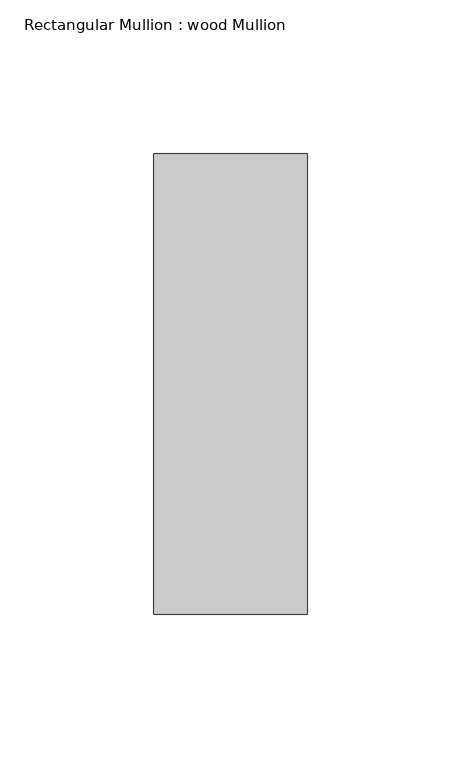
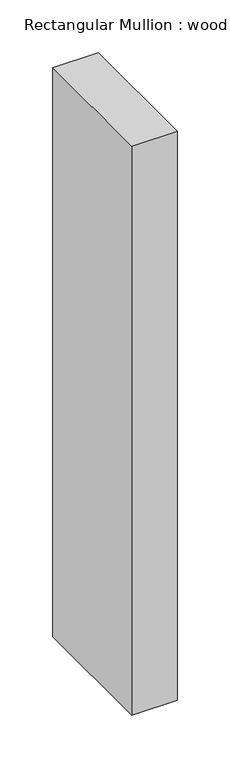
"""IFC4 building model written with IfcOpenShell, lengths in millimetres: member geometry, Rectangular Mullion : wood Mullion."""

import ifcopenshell
import ifcopenshell.guid

model = None  # the IFC model being written
_history = None  # IfcOwnerHistory: only IFC2X3 demands one
_inside = {}  # id of a spatial element -> (the spatial element, [elements in it])
_under = {}  # id of a project, library or spatial element -> (it, [spatial elements below it])
_declared = {}  # id of a project -> (the project, [libraries it declares])
_typed = {}  # id of a type object -> (the type object, [elements of that type])
_made_of = {}  # id of a material, layer set ... -> (it, [elements and type objects made of it])


def new_model(schema):
    """Start an empty IFC model of exactly this schema.

    Asked for "IFC4X3", IfcOpenShell would pick the latest addendum, in which some entities
    have other attributes; the version numbers below select the first issue.
    IFC2X3 requires an IfcOwnerHistory on every rooted entity: one is made here for all.
    """
    global model, _history
    if schema == "IFC4X3":
        model = ifcopenshell.file(schema_version=(4, 3, 0, 0))
    else:
        model = ifcopenshell.file(schema=schema)
    _inside.clear()
    _under.clear()
    _declared.clear()
    _typed.clear()
    _made_of.clear()
    _history = None
    if model.schema == "IFC2X3":
        org = make("IfcOrganization", Name="unknown")
        user = make(
            "IfcPersonAndOrganization",
            ThePerson=make("IfcPerson", FamilyName="unknown"),
            TheOrganization=org,
        )
        app = make(
            "IfcApplication",
            ApplicationDeveloper=org,
            Version="unknown",
            ApplicationFullName="unknown",
            ApplicationIdentifier="unknown",
        )
        _history = make(
            "IfcOwnerHistory",
            OwningUser=user,
            OwningApplication=app,
            ChangeAction="ADDED",
            CreationDate=0,
        )
    return model


def make(cls, **values):
    """One entity of the class cls with the attributes given. An attribute that is None is left unset."""
    return model.create_entity(
        cls, **{name: value for name, value in values.items() if value is not None}
    )


def rooted(cls, **values):
    """An entity with a GlobalId (a new one), such as an element, a storey or a relation."""
    return make(cls, GlobalId=ifcopenshell.guid.new(), OwnerHistory=_history, **values)


def si_unit(unit_type, name, prefix=None):
    """IfcSIUnit, for example si_unit("LENGTHUNIT", "METRE", prefix="MILLI")."""
    return make("IfcSIUnit", UnitType=unit_type, Prefix=prefix, Name=name)


def assignment(units):
    """IfcUnitAssignment: the units of a project."""
    return None if units is None else make("IfcUnitAssignment", Units=units)


def point(xyz):
    """IfcCartesianPoint."""
    return None if xyz is None else make("IfcCartesianPoint", Coordinates=xyz)


def direction(xyz):
    """IfcDirection."""
    return None if xyz is None else make("IfcDirection", DirectionRatios=xyz)


def frame(location, z_axis=None, x_axis=None):
    """IfcAxis2Placement3D, a coordinate frame: its origin and axes. An axis left out is left unset."""
    return make(
        "IfcAxis2Placement3D",
        Location=point(location),
        Axis=direction(z_axis),
        RefDirection=direction(x_axis),
    )


def origin():
    """The frame at (0, 0, 0) with its axes left unset."""
    return frame((0.0, 0.0, 0.0))


def place(relative_to, where):
    """IfcLocalPlacement: puts the frame where relative to a parent placement (None: the world)."""
    return make(
        "IfcLocalPlacement", PlacementRelTo=relative_to, RelativePlacement=where
    )


def context(
    kind, dimensions, precision=None, world=None, true_north=None, identifier=None
):
    """IfcGeometricRepresentationContext, for example the 3D "Model" context."""
    return make(
        "IfcGeometricRepresentationContext",
        ContextIdentifier=identifier,
        ContextType=kind,
        CoordinateSpaceDimension=dimensions,
        Precision=precision,
        WorldCoordinateSystem=world,
        TrueNorth=true_north,
    )


def project(units=None, contexts=None):
    """IfcProject with its units and contexts."""
    return rooted(
        "IfcProject",
        Name="project",
        RepresentationContexts=contexts,
        UnitsInContext=assignment(units),
    )


def spatial(cls, under=None, at=None, **own):
    """A site, building, storey or space (cls), placed at a placement, below another one or the project."""
    s = rooted(cls, ObjectPlacement=at, **own)
    if under is not None:
        _under.setdefault(under.id(), (under, []))[1].append(s)
    return s


def polyline(points):
    """IfcPolyline through the points."""
    return make("IfcPolyline", Points=[point(p) for p in points])


def outline(outer, holes=None, kind="AREA"):
    """IfcArbitraryClosedProfileDef: a profile drawn as a closed curve; with holes, ...WithVoids."""
    if holes is None:
        return make("IfcArbitraryClosedProfileDef", ProfileType=kind, OuterCurve=outer)
    return make(
        "IfcArbitraryProfileDefWithVoids",
        ProfileType=kind,
        OuterCurve=outer,
        InnerCurves=holes,
    )


def extrude(swept, where, along, depth):
    """IfcExtrudedAreaSolid: the profile swept, set in the frame where, extruded along a direction by depth."""
    return make(
        "IfcExtrudedAreaSolid",
        SweptArea=swept,
        Position=where,
        ExtrudedDirection=direction(along),
        Depth=depth,
    )


def shape(context_of_items, identifier, shape_type, items):
    """IfcShapeRepresentation: the items that make up one representation, for example the "Body"."""
    return make(
        "IfcShapeRepresentation",
        ContextOfItems=context_of_items,
        RepresentationIdentifier=identifier,
        RepresentationType=shape_type,
        Items=items,
    )


def source(mapping_origin, context_of_items, identifier, shape_type, items):
    """IfcRepresentationMap: a shape defined once, which mapped items show again and again."""
    return make(
        "IfcRepresentationMap",
        MappingOrigin=mapping_origin,
        MappedRepresentation=shape(context_of_items, identifier, shape_type, items),
    )


def transform(
    local_origin,
    x_axis=None,
    y_axis=None,
    z_axis=None,
    scale=None,
    scale2=None,
    scale3=None,
    uniform=True,
):
    """IfcCartesianTransformationOperator3D, or its non-uniform kind. x_axis, y_axis, z_axis: its Axis1, 2, 3."""
    if uniform:
        return make(
            "IfcCartesianTransformationOperator3D",
            Axis1=direction(x_axis),
            Axis2=direction(y_axis),
            LocalOrigin=point(local_origin),
            Scale=scale,
            Axis3=direction(z_axis),
        )
    return make(
        "IfcCartesianTransformationOperator3DnonUniform",
        Axis1=direction(x_axis),
        Axis2=direction(y_axis),
        LocalOrigin=point(local_origin),
        Scale=scale,
        Axis3=direction(z_axis),
        Scale2=scale2,
        Scale3=scale3,
    )


def mapped(mapping_source, mapping_target):
    """IfcMappedItem: shows the shape of a source again, moved by a transform."""
    return make(
        "IfcMappedItem", MappingSource=mapping_source, MappingTarget=mapping_target
    )


def made_of(thing, what):
    """Note that an element or type object is made of a material, layer set ...; save() writes the relation."""
    if what is not None:
        _made_of.setdefault(what.id(), (what, []))[1].append(thing)
    return thing


def element(
    cls,
    number,
    at=None,
    inside=None,
    cuts=None,
    type_object=None,
    material=None,
    context=None,
    identifier="Body",
    shape_type=None,
    held_by="IfcProductDefinitionShape",
    body=None,
    shapes=None,
    **own,
):
    """One element of the class cls, such as IfcWall. Its Tag is "e" and its number.

    at: its placement. inside: the storey or other place that contains it. cuts: it is an
    opening in that element (IfcRelVoidsElement). A single representation is given by context,
    identifier, shape_type and body (its items); several are given by shapes. held_by: the class
    of the entity that holds the representations. save() writes the other relations.
    """
    e = rooted(cls, Tag="e%d" % number, ObjectPlacement=at, **own)
    if body is not None:
        shapes = [shape(context, identifier, shape_type, body)]
    if shapes is not None:
        e.Representation = make(held_by, Representations=shapes)
    if inside is not None:
        _inside.setdefault(inside.id(), (inside, []))[1].append(e)
    if cuts is not None:
        rooted(
            "IfcRelVoidsElement", RelatingBuildingElement=cuts, RelatedOpeningElement=e
        )
    if type_object is not None:
        _typed.setdefault(type_object.id(), (type_object, []))[1].append(e)
    return made_of(e, material)


def aggregate(whole, parts):
    """IfcRelAggregates: a whole, such as a stair, and the parts it consists of."""
    return rooted("IfcRelAggregates", RelatingObject=whole, RelatedObjects=parts)


def save(model, path):
    """Write the relations noted so far, then the file.

    IfcRelAggregates (storeys below a building ...), IfcRelContainedInSpatialStructure (elements
    in a storey), IfcRelDefinesByType, IfcRelAssociatesMaterial and IfcRelDeclares: one each for
    every whole, place, type object, material and project.
    """
    for whole, parts in _under.values():
        aggregate(whole, parts)
    for where, things in _inside.values():
        rooted(
            "IfcRelContainedInSpatialStructure",
            RelatedElements=things,
            RelatingStructure=where,
        )
    for kind, things in _typed.values():
        rooted("IfcRelDefinesByType", RelatedObjects=things, RelatingType=kind)
    for what, things in _made_of.values():
        rooted("IfcRelAssociatesMaterial", RelatedObjects=things, RelatingMaterial=what)
    for by, libraries in _declared.values():
        rooted("IfcRelDeclares", RelatingContext=by, RelatedDefinitions=libraries)
    model.write(path)


def rectangular_mullion_wood_mullion_ed52b403(model_context):
    return source(origin(), model_context, "Body", "SweptSolid", [
        extrude(outline(polyline([(25.0, 75.0), (25.0, -75.0), (-25.0, -75.0), (-25.0, 75.0), (25.0, 75.0)])), frame((0.0, 0.0, -660.0), z_axis=(0.0, 0.0, 1.0), x_axis=(1.0, 0.0, 0.0)), (0.0, 0.0, 1.0), 660.0),
    ])


if __name__ == "__main__":
    model = new_model("IFC4")
    model_context = context("Model", 3, world=origin())
    ifc_project = project(units=[si_unit("LENGTHUNIT", "METRE", prefix="MILLI")], contexts=[model_context])
    site = spatial("IfcSite", under=ifc_project)
    building = spatial("IfcBuilding", under=site)
    placement = place(None, origin())
    rectangular_mullion_wood_mullion_shape = rectangular_mullion_wood_mullion_ed52b403(model_context)
    element("IfcMember", 1, ObjectType="Rectangular Mullion : wood Mullion", at=placement, inside=building, context=model_context, shape_type="MappedRepresentation", body=[
        mapped(rectangular_mullion_wood_mullion_shape, transform((0.0, 0.0, 0.0), x_axis=(1.0, 0.0, 0.0), y_axis=(0.0, 1.0, 0.0), z_axis=(0.0, 0.0, 1.0))),
    ])
    save(model, "model.ifc")
